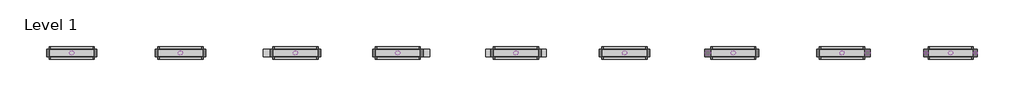
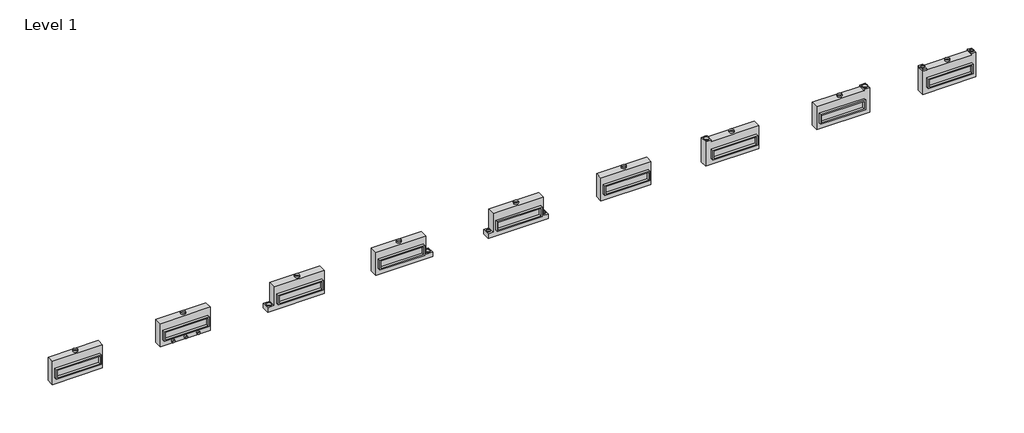
# One storey: 35 proxies.
"""IFC4 building model written with IfcOpenShell, lengths in millimetres."""

import ifcopenshell
import ifcopenshell.guid

model = None  # the IFC model being written
_history = None  # IfcOwnerHistory: only IFC2X3 demands one
_inside = {}  # id of a spatial element -> (the spatial element, [elements in it])
_under = {}  # id of a project, library or spatial element -> (it, [spatial elements below it])
_declared = {}  # id of a project -> (the project, [libraries it declares])
_typed = {}  # id of a type object -> (the type object, [elements of that type])
_made_of = {}  # id of a material, layer set ... -> (it, [elements and type objects made of it])


def new_model(schema):
    """Start an empty IFC model of exactly this schema.

    Asked for "IFC4X3", IfcOpenShell would pick the latest addendum, in which some entities
    have other attributes; the version numbers below select the first issue.
    IFC2X3 requires an IfcOwnerHistory on every rooted entity: one is made here for all.
    """
    global model, _history
    if schema == "IFC4X3":
        model = ifcopenshell.file(schema_version=(4, 3, 0, 0))
    else:
        model = ifcopenshell.file(schema=schema)
    _inside.clear()
    _under.clear()
    _declared.clear()
    _typed.clear()
    _made_of.clear()
    _history = None
    if model.schema == "IFC2X3":
        org = make("IfcOrganization", Name="unknown")
        user = make(
            "IfcPersonAndOrganization",
            ThePerson=make("IfcPerson", FamilyName="unknown"),
            TheOrganization=org,
        )
        app = make(
            "IfcApplication",
            ApplicationDeveloper=org,
            Version="unknown",
            ApplicationFullName="unknown",
            ApplicationIdentifier="unknown",
        )
        _history = make(
            "IfcOwnerHistory",
            OwningUser=user,
            OwningApplication=app,
            ChangeAction="ADDED",
            CreationDate=0,
        )
    return model


def make(cls, **values):
    """One entity of the class cls with the attributes given. An attribute that is None is left unset."""
    return model.create_entity(
        cls, **{name: value for name, value in values.items() if value is not None}
    )


def rooted(cls, **values):
    """An entity with a GlobalId (a new one), such as an element, a storey or a relation."""
    return make(cls, GlobalId=ifcopenshell.guid.new(), OwnerHistory=_history, **values)


def si_unit(unit_type, name, prefix=None):
    """IfcSIUnit, for example si_unit("LENGTHUNIT", "METRE", prefix="MILLI")."""
    return make("IfcSIUnit", UnitType=unit_type, Prefix=prefix, Name=name)


def assignment(units):
    """IfcUnitAssignment: the units of a project."""
    return None if units is None else make("IfcUnitAssignment", Units=units)


def point(xyz):
    """IfcCartesianPoint."""
    return None if xyz is None else make("IfcCartesianPoint", Coordinates=xyz)


def direction(xyz):
    """IfcDirection."""
    return None if xyz is None else make("IfcDirection", DirectionRatios=xyz)


def frame(location, z_axis=None, x_axis=None):
    """IfcAxis2Placement3D, a coordinate frame: its origin and axes. An axis left out is left unset."""
    return make(
        "IfcAxis2Placement3D",
        Location=point(location),
        Axis=direction(z_axis),
        RefDirection=direction(x_axis),
    )


def frame_2d(location, x_axis=None):
    """IfcAxis2Placement2D, a coordinate frame in the plane: its origin and x axis."""
    return make(
        "IfcAxis2Placement2D", Location=point(location), RefDirection=direction(x_axis)
    )


def origin():
    """The frame at (0, 0, 0) with its axes left unset."""
    return frame((0.0, 0.0, 0.0))


def origin_with_axes():
    """The frame at (0, 0, 0) with the z axis (0, 0, 1) and the x axis (1, 0, 0) written out."""
    return frame((0.0, 0.0, 0.0), z_axis=(0.0, 0.0, 1.0), x_axis=(1.0, 0.0, 0.0))


def origin_2d():
    """The frame at (0, 0) in the plane with its x axis left unset."""
    return frame_2d((0.0, 0.0))


def place(relative_to, where):
    """IfcLocalPlacement: puts the frame where relative to a parent placement (None: the world)."""
    return make(
        "IfcLocalPlacement", PlacementRelTo=relative_to, RelativePlacement=where
    )


def context(
    kind, dimensions, precision=None, world=None, true_north=None, identifier=None
):
    """IfcGeometricRepresentationContext, for example the 3D "Model" context."""
    return make(
        "IfcGeometricRepresentationContext",
        ContextIdentifier=identifier,
        ContextType=kind,
        CoordinateSpaceDimension=dimensions,
        Precision=precision,
        WorldCoordinateSystem=world,
        TrueNorth=true_north,
    )


def project(units=None, contexts=None):
    """IfcProject with its units and contexts."""
    return rooted(
        "IfcProject",
        Name="project",
        RepresentationContexts=contexts,
        UnitsInContext=assignment(units),
    )


def spatial(cls, under=None, at=None, **own):
    """A site, building, storey or space (cls), placed at a placement, below another one or the project."""
    s = rooted(cls, ObjectPlacement=at, **own)
    if under is not None:
        _under.setdefault(under.id(), (under, []))[1].append(s)
    return s


def polyline(points):
    """IfcPolyline through the points."""
    return make("IfcPolyline", Points=[point(p) for p in points])


def circle_curve(where, radius):
    """IfcCircle in the frame where."""
    return make("IfcCircle", Position=where, Radius=radius)


def trimmed(basis, trim1, trim2, sense, master):
    """IfcTrimmedCurve: the piece of a basis curve between two trims."""
    return make(
        "IfcTrimmedCurve",
        BasisCurve=basis,
        Trim1=trim1,
        Trim2=trim2,
        SenseAgreement=sense,
        MasterRepresentation=master,
    )


def segment(curve, same_sense, transition):
    """IfcCompositeCurveSegment."""
    return make(
        "IfcCompositeCurveSegment",
        Transition=transition,
        SameSense=same_sense,
        ParentCurve=curve,
    )


def composite_curve(segments, self_intersect=None):
    """IfcCompositeCurve: segments joined end to end."""
    return make("IfcCompositeCurve", Segments=segments, SelfIntersect=self_intersect)


def outline(outer, holes=None, kind="AREA"):
    """IfcArbitraryClosedProfileDef: a profile drawn as a closed curve; with holes, ...WithVoids."""
    if holes is None:
        return make("IfcArbitraryClosedProfileDef", ProfileType=kind, OuterCurve=outer)
    return make(
        "IfcArbitraryProfileDefWithVoids",
        ProfileType=kind,
        OuterCurve=outer,
        InnerCurves=holes,
    )


def extrude(swept, where, along, depth):
    """IfcExtrudedAreaSolid: the profile swept, set in the frame where, extruded along a direction by depth."""
    return make(
        "IfcExtrudedAreaSolid",
        SweptArea=swept,
        Position=where,
        ExtrudedDirection=direction(along),
        Depth=depth,
    )


def shape(context_of_items, identifier, shape_type, items):
    """IfcShapeRepresentation: the items that make up one representation, for example the "Body"."""
    return make(
        "IfcShapeRepresentation",
        ContextOfItems=context_of_items,
        RepresentationIdentifier=identifier,
        RepresentationType=shape_type,
        Items=items,
    )


def source(mapping_origin, context_of_items, identifier, shape_type, items):
    """IfcRepresentationMap: a shape defined once, which mapped items show again and again."""
    return make(
        "IfcRepresentationMap",
        MappingOrigin=mapping_origin,
        MappedRepresentation=shape(context_of_items, identifier, shape_type, items),
    )


def transform(
    local_origin,
    x_axis=None,
    y_axis=None,
    z_axis=None,
    scale=None,
    scale2=None,
    scale3=None,
    uniform=True,
):
    """IfcCartesianTransformationOperator3D, or its non-uniform kind. x_axis, y_axis, z_axis: its Axis1, 2, 3."""
    if uniform:
        return make(
            "IfcCartesianTransformationOperator3D",
            Axis1=direction(x_axis),
            Axis2=direction(y_axis),
            LocalOrigin=point(local_origin),
            Scale=scale,
            Axis3=direction(z_axis),
        )
    return make(
        "IfcCartesianTransformationOperator3DnonUniform",
        Axis1=direction(x_axis),
        Axis2=direction(y_axis),
        LocalOrigin=point(local_origin),
        Scale=scale,
        Axis3=direction(z_axis),
        Scale2=scale2,
        Scale3=scale3,
    )


def mapped(mapping_source, mapping_target):
    """IfcMappedItem: shows the shape of a source again, moved by a transform."""
    return make(
        "IfcMappedItem", MappingSource=mapping_source, MappingTarget=mapping_target
    )


def made_of(thing, what):
    """Note that an element or type object is made of a material, layer set ...; save() writes the relation."""
    if what is not None:
        _made_of.setdefault(what.id(), (what, []))[1].append(thing)
    return thing


def element(
    cls,
    number,
    at=None,
    inside=None,
    cuts=None,
    type_object=None,
    material=None,
    context=None,
    identifier="Body",
    shape_type=None,
    held_by="IfcProductDefinitionShape",
    body=None,
    shapes=None,
    **own,
):
    """One element of the class cls, such as IfcWall. Its Tag is "e" and its number.

    at: its placement. inside: the storey or other place that contains it. cuts: it is an
    opening in that element (IfcRelVoidsElement). A single representation is given by context,
    identifier, shape_type and body (its items); several are given by shapes. held_by: the class
    of the entity that holds the representations. save() writes the other relations.
    """
    e = rooted(cls, Tag="e%d" % number, ObjectPlacement=at, **own)
    if body is not None:
        shapes = [shape(context, identifier, shape_type, body)]
    if shapes is not None:
        e.Representation = make(held_by, Representations=shapes)
    if inside is not None:
        _inside.setdefault(inside.id(), (inside, []))[1].append(e)
    if cuts is not None:
        rooted(
            "IfcRelVoidsElement", RelatingBuildingElement=cuts, RelatedOpeningElement=e
        )
    if type_object is not None:
        _typed.setdefault(type_object.id(), (type_object, []))[1].append(e)
    return made_of(e, material)


def aggregate(whole, parts):
    """IfcRelAggregates: a whole, such as a stair, and the parts it consists of."""
    return rooted("IfcRelAggregates", RelatingObject=whole, RelatedObjects=parts)


def save(model, path):
    """Write the relations noted so far, then the file.

    IfcRelAggregates (storeys below a building ...), IfcRelContainedInSpatialStructure (elements
    in a storey), IfcRelDefinesByType, IfcRelAssociatesMaterial and IfcRelDeclares: one each for
    every whole, place, type object, material and project.
    """
    for whole, parts in _under.values():
        aggregate(whole, parts)
    for where, things in _inside.values():
        rooted(
            "IfcRelContainedInSpatialStructure",
            RelatedElements=things,
            RelatingStructure=where,
        )
    for kind, things in _typed.values():
        rooted("IfcRelDefinesByType", RelatedObjects=things, RelatingType=kind)
    for what, things in _made_of.values():
        rooted("IfcRelAssociatesMaterial", RelatedObjects=things, RelatingMaterial=what)
    for by, libraries in _declared.values():
        rooted("IfcRelDeclares", RelatingContext=by, RelatedDefinitions=libraries)
    model.write(path)


def as_specified_d002592d(model_context):
    return source(origin(), model_context, "Body", "SweptSolid", [
        extrude(outline(polyline([(1460.5, 273.05), (1460.5, -387.35), (-1460.5, -387.35), (-1460.5, 273.05), (1460.5, 273.05)]), holes=[polyline([(1371.6, 196.85), (-1371.6, 196.85), (-1371.6, -311.15), (1371.6, -311.15), (1371.6, 196.85)])]), frame((0.0, 0.0, -688.975), z_axis=(0.0, 0.0, 1.0), x_axis=(1.0, 0.0, 0.0)), (0.0, 0.0, 1.0), 165.1),
        extrude(outline(polyline([(1460.5, 273.05), (1460.5, -387.35), (-1460.5, -387.35), (-1460.5, 273.05), (1460.5, 273.05)]), holes=[polyline([(1371.6, 196.85), (-1371.6, 196.85), (-1371.6, -311.15), (1371.6, -311.15), (1371.6, 196.85)])]), frame((0.0, 0.0, -25.4), z_axis=(0.0, 0.0, 1.0), x_axis=(1.0, 0.0, 0.0)), (0.0, 0.0, 1.0), 165.1),
        extrude(outline(polyline([(1371.6, 196.85), (1371.6, -311.15), (-1371.6, -311.15), (-1371.6, 196.85), (1371.6, 196.85)])), frame((0.0, 0.0, -523.875), z_axis=(0.0, 0.0, 1.0), x_axis=(1.0, 0.0, 0.0)), (0.0, 0.0, 1.0), 4.9609375),
        extrude(outline(polyline([(1371.6, 196.85), (1371.6, -311.15), (-1371.6, -311.15), (-1371.6, 196.85), (1371.6, 196.85)])), frame((0.0, 0.0, -30.3609375), z_axis=(0.0, 0.0, 1.0), x_axis=(1.0, 0.0, 0.0)), (0.0, 0.0, 1.0), 4.9609375),
        extrude(outline(polyline([(-1625.6, 793.75), (1625.6, 793.75), (1625.6, -488.95), (2057.4, -488.95), (2057.4, -793.75), (-1625.6, -793.75), (-1625.6, 793.75)]), holes=[polyline([(-1460.5, 273.05), (-1460.5, -387.35), (1460.5, -387.35), (1460.5, 273.05), (-1460.5, 273.05)])]), frame((0.0, 0.0, -523.875), z_axis=(0.0, 0.0, 1.0), x_axis=(1.0, 0.0, 0.0)), (0.0, 0.0, 1.0), 498.475),
    ])


def as_specified_aac91da4(model_context):
    return source(origin(), model_context, "Body", "SweptSolid", [
        extrude(outline(polyline([(1460.5, 273.05), (1460.5, -387.35), (-1460.5, -387.35), (-1460.5, 273.05), (1460.5, 273.05)]), holes=[polyline([(1371.6, 196.85), (-1371.6, 196.85), (-1371.6, -311.15), (1371.6, -311.15), (1371.6, 196.85)])]), frame((0.0, 0.0, -688.975), z_axis=(0.0, 0.0, 1.0), x_axis=(1.0, 0.0, 0.0)), (0.0, 0.0, 1.0), 165.1),
        extrude(outline(polyline([(1460.5, 273.05), (1460.5, -387.35), (-1460.5, -387.35), (-1460.5, 273.05), (1460.5, 273.05)]), holes=[polyline([(1371.6, 196.85), (-1371.6, 196.85), (-1371.6, -311.15), (1371.6, -311.15), (1371.6, 196.85)])]), frame((0.0, 0.0, -25.4), z_axis=(0.0, 0.0, 1.0), x_axis=(1.0, 0.0, 0.0)), (0.0, 0.0, 1.0), 165.1),
        extrude(outline(polyline([(1371.6, 196.85), (1371.6, -311.15), (-1371.6, -311.15), (-1371.6, 196.85), (1371.6, 196.85)])), frame((0.0, 0.0, -523.875), z_axis=(0.0, 0.0, 1.0), x_axis=(1.0, 0.0, 0.0)), (0.0, 0.0, 1.0), 4.9609375),
        extrude(outline(polyline([(1371.6, 196.85), (1371.6, -311.15), (-1371.6, -311.15), (-1371.6, 196.85), (1371.6, 196.85)])), frame((0.0, 0.0, -30.3609375), z_axis=(0.0, 0.0, 1.0), x_axis=(1.0, 0.0, 0.0)), (0.0, 0.0, 1.0), 4.9609375),
        extrude(outline(polyline([(1828.8, -793.75), (-1625.6, -793.75), (-1625.6, 793.75), (1460.5, 793.75), (1460.5, 895.35), (1828.8, 895.35), (1828.8, -793.75)]), holes=[polyline([(-1460.5, 273.05), (-1460.5, -387.35), (1460.5, -387.35), (1460.5, 273.05), (-1460.5, 273.05)])]), frame((0.0, 0.0, -523.875), z_axis=(0.0, 0.0, 1.0), x_axis=(1.0, 0.0, 0.0)), (0.0, 0.0, 1.0), 498.475),
    ])


def as_specified_fa5cbbdb(model_context):
    return source(origin(), model_context, "Body", "SweptSolid", [
        extrude(outline(polyline([(1460.5, 273.05), (1460.5, -387.35), (-1460.5, -387.35), (-1460.5, 273.05), (1460.5, 273.05)]), holes=[polyline([(1371.6, 196.85), (-1371.6, 196.85), (-1371.6, -311.15), (1371.6, -311.15), (1371.6, 196.85)])]), frame((0.0, 0.0, -688.975), z_axis=(0.0, 0.0, 1.0), x_axis=(1.0, 0.0, 0.0)), (0.0, 0.0, 1.0), 165.1),
        extrude(outline(polyline([(1460.5, 273.05), (1460.5, -387.35), (-1460.5, -387.35), (-1460.5, 273.05), (1460.5, 273.05)]), holes=[polyline([(1371.6, 196.85), (-1371.6, 196.85), (-1371.6, -311.15), (1371.6, -311.15), (1371.6, 196.85)])]), frame((0.0, 0.0, -25.4), z_axis=(0.0, 0.0, 1.0), x_axis=(1.0, 0.0, 0.0)), (0.0, 0.0, 1.0), 165.1),
        extrude(outline(polyline([(-1460.5, 793.75), (-1727.2, 793.75), (-1727.2, 895.35), (-1460.5, 895.35), (-1460.5, 793.75)])), frame((0.0, 0.0, -523.875), z_axis=(0.0, 0.0, 1.0), x_axis=(1.0, 0.0, 0.0)), (0.0, 0.0, 1.0), 498.475),
        extrude(outline(polyline([(1371.6, 196.85), (1371.6, -311.15), (-1371.6, -311.15), (-1371.6, 196.85), (1371.6, 196.85)])), frame((0.0, 0.0, -523.875), z_axis=(0.0, 0.0, 1.0), x_axis=(1.0, 0.0, 0.0)), (0.0, 0.0, 1.0), 4.9609375),
        extrude(outline(polyline([(1371.6, 196.85), (1371.6, -311.15), (-1371.6, -311.15), (-1371.6, 196.85), (1371.6, 196.85)])), frame((0.0, 0.0, -30.3609375), z_axis=(0.0, 0.0, 1.0), x_axis=(1.0, 0.0, 0.0)), (0.0, 0.0, 1.0), 4.9609375),
        extrude(outline(polyline([(1727.2, -793.75), (-1727.2, -793.75), (-1727.2, 793.75), (1460.5, 793.75), (1460.5, 895.35), (1727.2, 895.35), (1727.2, -793.75)]), holes=[polyline([(-1460.5, 273.05), (-1460.5, -387.35), (1460.5, -387.35), (1460.5, 273.05), (-1460.5, 273.05)])]), frame((0.0, 0.0, -523.875), z_axis=(0.0, 0.0, 1.0), x_axis=(1.0, 0.0, 0.0)), (0.0, 0.0, 1.0), 498.475),
    ])


def as_specified_176dbfb2(model_context):
    return source(origin(), model_context, "Body", "SweptSolid", [
        extrude(outline(polyline([(1460.5, 273.05), (1460.5, -387.35), (-1460.5, -387.35), (-1460.5, 273.05), (1460.5, 273.05)]), holes=[polyline([(1371.6, 196.85), (-1371.6, 196.85), (-1371.6, -311.15), (1371.6, -311.15), (1371.6, 196.85)])]), frame((0.0, 0.0, -688.975), z_axis=(0.0, 0.0, 1.0), x_axis=(1.0, 0.0, 0.0)), (0.0, 0.0, 1.0), 165.1),
        extrude(outline(polyline([(1460.5, 273.05), (1460.5, -387.35), (-1460.5, -387.35), (-1460.5, 273.05), (1460.5, 273.05)]), holes=[polyline([(1371.6, 196.85), (-1371.6, 196.85), (-1371.6, -311.15), (1371.6, -311.15), (1371.6, 196.85)])]), frame((0.0, 0.0, -25.4), z_axis=(0.0, 0.0, 1.0), x_axis=(1.0, 0.0, 0.0)), (0.0, 0.0, 1.0), 165.1),
        extrude(outline(polyline([(1371.6, 196.85), (1371.6, -311.15), (-1371.6, -311.15), (-1371.6, 196.85), (1371.6, 196.85)])), frame((0.0, 0.0, -523.875), z_axis=(0.0, 0.0, 1.0), x_axis=(1.0, 0.0, 0.0)), (0.0, 0.0, 1.0), 4.9609375),
        extrude(outline(polyline([(1371.6, 196.85), (1371.6, -311.15), (-1371.6, -311.15), (-1371.6, 196.85), (1371.6, 196.85)])), frame((0.0, 0.0, -30.3609375), z_axis=(0.0, 0.0, 1.0), x_axis=(1.0, 0.0, 0.0)), (0.0, 0.0, 1.0), 4.9609375),
        extrude(outline(polyline([(1625.6, -793.75), (-1625.6, -793.75), (-1625.6, 793.75), (1625.6, 793.75), (1625.6, -793.75)]), holes=[polyline([(-1460.5, 273.05), (-1460.5, -387.35), (1460.5, -387.35), (1460.5, 273.05), (-1460.5, 273.05)])]), frame((0.0, 0.0, -523.875), z_axis=(0.0, 0.0, 1.0), x_axis=(1.0, 0.0, 0.0)), (0.0, 0.0, 1.0), 498.475),
    ])


def as_specified_8986eca1(model_context):
    return source(origin(), model_context, "Body", "SweptSolid", [
        extrude(outline(polyline([(1460.5, 273.05), (1460.5, -387.35), (-1460.5, -387.35), (-1460.5, 273.05), (1460.5, 273.05)]), holes=[polyline([(1371.6, 196.85), (-1371.6, 196.85), (-1371.6, -311.15), (1371.6, -311.15), (1371.6, 196.85)])]), frame((0.0, 0.0, -688.975), z_axis=(0.0, 0.0, 1.0), x_axis=(1.0, 0.0, 0.0)), (0.0, 0.0, 1.0), 165.1),
        extrude(outline(polyline([(1460.5, 273.05), (1460.5, -387.35), (-1460.5, -387.35), (-1460.5, 273.05), (1460.5, 273.05)]), holes=[polyline([(1371.6, 196.85), (-1371.6, 196.85), (-1371.6, -311.15), (1371.6, -311.15), (1371.6, 196.85)])]), frame((0.0, 0.0, -25.4), z_axis=(0.0, 0.0, 1.0), x_axis=(1.0, 0.0, 0.0)), (0.0, 0.0, 1.0), 165.1),
        extrude(outline(polyline([(1371.6, 196.85), (1371.6, -311.15), (-1371.6, -311.15), (-1371.6, 196.85), (1371.6, 196.85)])), frame((0.0, 0.0, -523.875), z_axis=(0.0, 0.0, 1.0), x_axis=(1.0, 0.0, 0.0)), (0.0, 0.0, 1.0), 4.9609375),
        extrude(outline(polyline([(1371.6, 196.85), (1371.6, -311.15), (-1371.6, -311.15), (-1371.6, 196.85), (1371.6, 196.85)])), frame((0.0, 0.0, -30.3609375), z_axis=(0.0, 0.0, 1.0), x_axis=(1.0, 0.0, 0.0)), (0.0, 0.0, 1.0), 4.9609375),
        extrude(outline(polyline([(-1625.6, 793.75), (1625.6, 793.75), (1625.6, -793.75), (-2057.4, -793.75), (-2057.4, -488.95), (-1625.6, -488.95), (-1625.6, 793.75)]), holes=[polyline([(-1460.5, 273.05), (-1460.5, -387.35), (1460.5, -387.35), (1460.5, 273.05), (-1460.5, 273.05)])]), frame((0.0, 0.0, -523.875), z_axis=(0.0, 0.0, 1.0), x_axis=(1.0, 0.0, 0.0)), (0.0, 0.0, 1.0), 498.475),
    ])


def as_specified_ad1ca794(model_context):
    return source(origin(), model_context, "Body", "SweptSolid", [
        extrude(outline(polyline([(1460.5, 273.05), (1460.5, -387.35), (-1460.5, -387.35), (-1460.5, 273.05), (1460.5, 273.05)]), holes=[polyline([(1371.6, 196.85), (-1371.6, 196.85), (-1371.6, -311.15), (1371.6, -311.15), (1371.6, 196.85)])]), frame((0.0, 0.0, -688.975), z_axis=(0.0, 0.0, 1.0), x_axis=(1.0, 0.0, 0.0)), (0.0, 0.0, 1.0), 165.1),
        extrude(outline(polyline([(1460.5, 273.05), (1460.5, -387.35), (-1460.5, -387.35), (-1460.5, 273.05), (1460.5, 273.05)]), holes=[polyline([(1371.6, 196.85), (-1371.6, 196.85), (-1371.6, -311.15), (1371.6, -311.15), (1371.6, 196.85)])]), frame((0.0, 0.0, -25.4), z_axis=(0.0, 0.0, 1.0), x_axis=(1.0, 0.0, 0.0)), (0.0, 0.0, 1.0), 165.1),
        extrude(outline(polyline([(1371.6, 196.85), (1371.6, -311.15), (-1371.6, -311.15), (-1371.6, 196.85), (1371.6, 196.85)])), frame((0.0, 0.0, -523.875), z_axis=(0.0, 0.0, 1.0), x_axis=(1.0, 0.0, 0.0)), (0.0, 0.0, 1.0), 4.9609375),
        extrude(outline(polyline([(1371.6, 196.85), (1371.6, -311.15), (-1371.6, -311.15), (-1371.6, 196.85), (1371.6, 196.85)])), frame((0.0, 0.0, -30.3609375), z_axis=(0.0, 0.0, 1.0), x_axis=(1.0, 0.0, 0.0)), (0.0, 0.0, 1.0), 4.9609375),
        extrude(outline(polyline([(1625.6, -793.75), (-1828.8, -793.75), (-1828.8, 895.35), (-1460.5, 895.35), (-1460.5, 793.75), (1625.6, 793.75), (1625.6, -793.75)]), holes=[polyline([(-1460.5, 273.05), (-1460.5, -387.35), (1460.5, -387.35), (1460.5, 273.05), (-1460.5, 273.05)])]), frame((0.0, 0.0, -523.875), z_axis=(0.0, 0.0, 1.0), x_axis=(1.0, 0.0, 0.0)), (0.0, 0.0, 1.0), 498.475),
    ])


def as_specified_559859c7(model_context):
    return source(origin(), model_context, "Body", "SweptSolid", [
        extrude(outline(polyline([(1460.5, 273.05), (1460.5, -387.35), (-1460.5, -387.35), (-1460.5, 273.05), (1460.5, 273.05)]), holes=[polyline([(1371.6, 196.85), (-1371.6, 196.85), (-1371.6, -311.15), (1371.6, -311.15), (1371.6, 196.85)])]), frame((0.0, 0.0, -688.975), z_axis=(0.0, 0.0, 1.0), x_axis=(1.0, 0.0, 0.0)), (0.0, 0.0, 1.0), 165.1),
        extrude(outline(polyline([(1460.5, 273.05), (1460.5, -387.35), (-1460.5, -387.35), (-1460.5, 273.05), (1460.5, 273.05)]), holes=[polyline([(1371.6, 196.85), (-1371.6, 196.85), (-1371.6, -311.15), (1371.6, -311.15), (1371.6, 196.85)])]), frame((0.0, 0.0, -25.4), z_axis=(0.0, 0.0, 1.0), x_axis=(1.0, 0.0, 0.0)), (0.0, 0.0, 1.0), 165.1),
        extrude(outline(polyline([(1371.6, 196.85), (1371.6, -311.15), (-1371.6, -311.15), (-1371.6, 196.85), (1371.6, 196.85)])), frame((0.0, 0.0, -523.875), z_axis=(0.0, 0.0, 1.0), x_axis=(1.0, 0.0, 0.0)), (0.0, 0.0, 1.0), 4.9609375),
        extrude(outline(polyline([(1371.6, 196.85), (1371.6, -311.15), (-1371.6, -311.15), (-1371.6, 196.85), (1371.6, 196.85)])), frame((0.0, 0.0, -30.3609375), z_axis=(0.0, 0.0, 1.0), x_axis=(1.0, 0.0, 0.0)), (0.0, 0.0, 1.0), 4.9609375),
        extrude(outline(polyline([(-1625.6, 793.75), (1625.6, 793.75), (1625.6, -488.95), (1955.8, -488.95), (1955.8, -793.75), (-1955.8, -793.75), (-1955.8, -488.95), (-1625.6, -488.95), (-1625.6, 793.75)]), holes=[polyline([(-1460.5, 273.05), (-1460.5, -387.35), (1460.5, -387.35), (1460.5, 273.05), (-1460.5, 273.05)])]), frame((0.0, 0.0, -523.875), z_axis=(0.0, 0.0, 1.0), x_axis=(1.0, 0.0, 0.0)), (0.0, 0.0, 1.0), 498.475),
    ])


def proxy_814ff0a6(model_context):
    return source(origin(), model_context, "Body", "SweptSolid", [
        extrude(outline(composite_curve([segment(trimmed(circle_curve(origin_2d(), 149.225), [point((-149.225, 0.0))], [point((149.225, 0.0))], False, "CARTESIAN"), True, "CONTINUOUS"), segment(trimmed(circle_curve(origin_2d(), 149.225), [point((149.225, 0.0))], [point((-149.225, 0.0))], False, "CARTESIAN"), True, "CONTINUOUS")], self_intersect=False), holes=[composite_curve([segment(trimmed(circle_curve(origin_2d(), 147.6375), [point((-147.6375, 0.0))], [point((147.6375, 0.0))], True, "CARTESIAN"), True, "CONTINUOUS"), segment(trimmed(circle_curve(origin_2d(), 147.6375), [point((147.6375, 0.0))], [point((-147.6375, 0.0))], True, "CARTESIAN"), True, "CONTINUOUS")], self_intersect=False)]), origin_with_axes(), (0.0, 0.0, 1.0), 101.6),
    ])


def proxy_199e9adc(model_context):
    return source(origin(), model_context, "Body", "SweptSolid", [
        extrude(outline(composite_curve([segment(trimmed(circle_curve(origin_2d(), 176.2125), [point((-176.2125, 0.0))], [point((176.2125, 0.0))], False, "CARTESIAN"), True, "CONTINUOUS"), segment(trimmed(circle_curve(origin_2d(), 176.2125), [point((176.2125, 0.0))], [point((-176.2125, 0.0))], False, "CARTESIAN"), True, "CONTINUOUS")], self_intersect=False), holes=[composite_curve([segment(trimmed(circle_curve(origin_2d(), 174.625), [point((-174.625, 0.0))], [point((174.625, 0.0))], True, "CARTESIAN"), True, "CONTINUOUS"), segment(trimmed(circle_curve(origin_2d(), 174.625), [point((174.625, 0.0))], [point((-174.625, 0.0))], True, "CARTESIAN"), True, "CONTINUOUS")], self_intersect=False)]), origin_with_axes(), (0.0, 0.0, 1.0), 50.8),
    ])


def proxy_5643af6b(model_context):
    return source(origin(), model_context, "Body", "SweptSolid", [
        extrude(outline(composite_curve([segment(trimmed(circle_curve(origin_2d(), 100.0125), [point((-100.0125, 0.0))], [point((100.0125, 0.0))], False, "CARTESIAN"), True, "CONTINUOUS"), segment(trimmed(circle_curve(origin_2d(), 100.0125), [point((100.0125, 0.0))], [point((-100.0125, 0.0))], False, "CARTESIAN"), True, "CONTINUOUS")], self_intersect=False), holes=[composite_curve([segment(trimmed(circle_curve(origin_2d(), 98.425), [point((-98.425, 0.0))], [point((98.425, 0.0))], True, "CARTESIAN"), True, "CONTINUOUS"), segment(trimmed(circle_curve(origin_2d(), 98.425), [point((98.425, 0.0))], [point((-98.425, 0.0))], True, "CARTESIAN"), True, "CONTINUOUS")], self_intersect=False)]), origin_with_axes(), (0.0, 0.0, 1.0), 101.6),
    ])


def proxy_c1ba4f62(model_context):
    return source(origin(), model_context, "Body", "SweptSolid", [
        extrude(outline(composite_curve([segment(trimmed(circle_curve(origin_2d(), 103.1875), [point((-103.1875, 0.0))], [point((103.1875, 0.0))], False, "CARTESIAN"), True, "CONTINUOUS"), segment(trimmed(circle_curve(origin_2d(), 103.1875), [point((103.1875, 0.0))], [point((-103.1875, 0.0))], False, "CARTESIAN"), True, "CONTINUOUS")], self_intersect=False), holes=[composite_curve([segment(trimmed(circle_curve(origin_2d(), 101.6), [point((-101.6, 0.0))], [point((101.6, 0.0))], True, "CARTESIAN"), True, "CONTINUOUS"), segment(trimmed(circle_curve(origin_2d(), 101.6), [point((101.6, 0.0))], [point((-101.6, 0.0))], True, "CARTESIAN"), True, "CONTINUOUS")], self_intersect=False)]), origin_with_axes(), (0.0, 0.0, 1.0), 6.35),
    ])


def proxy_f04a25a4(model_context):
    return source(origin(), model_context, "Body", "SweptSolid", [
        extrude(outline(composite_curve([segment(trimmed(circle_curve(origin_2d(), 125.4125), [point((-125.4125, 0.0))], [point((125.4125, 0.0))], False, "CARTESIAN"), True, "CONTINUOUS"), segment(trimmed(circle_curve(origin_2d(), 125.4125), [point((125.4125, 0.0))], [point((-125.4125, 0.0))], False, "CARTESIAN"), True, "CONTINUOUS")], self_intersect=False), holes=[composite_curve([segment(trimmed(circle_curve(origin_2d(), 123.825), [point((-123.825, 0.0))], [point((123.825, 0.0))], True, "CARTESIAN"), True, "CONTINUOUS"), segment(trimmed(circle_curve(origin_2d(), 123.825), [point((123.825, 0.0))], [point((-123.825, 0.0))], True, "CARTESIAN"), True, "CONTINUOUS")], self_intersect=False)]), origin_with_axes(), (0.0, 0.0, 1.0), 50.8),
    ])


model = new_model("IFC4")

# Units and contexts
model_context = context("Model", 3, world=origin())
ifc_project = project(units=[si_unit("LENGTHUNIT", "METRE", prefix="MILLI")], contexts=[model_context])

# Site, building, storey
site = spatial("IfcSite", under=ifc_project)
building = spatial("IfcBuilding", under=site)
storey = spatial("IfcBuildingStorey", under=building, Name="Level 1", Elevation=0.0)

# Proxies
placement = place(None, origin())
as_specified_shape = as_specified_d002592d(model_context)
element("IfcBuildingElementProxy", 1, Name="As Specified", ObjectType="As Specified", at=placement, inside=storey, context=model_context, shape_type="MappedRepresentation", body=[
    mapped(as_specified_shape, transform((7171.2574402, 1616.7712992, 1219.2), x_axis=(1.0, 0.0, 0.0), y_axis=(0.0, 0.0, 1.0), z_axis=(0.0, -1.0, 0.0))),
])
as_specified_2_shape = as_specified_aac91da4(model_context)
element("IfcBuildingElementProxy", 2, Name="As Specified", ObjectType="As Specified", at=placement, inside=storey, context=model_context, shape_type="MappedRepresentation", body=[
    mapped(as_specified_2_shape, transform((35822.4574402, 1616.7712992, 1219.2), x_axis=(1.0, 0.0, 0.0), y_axis=(0.0, 0.0, 1.0), z_axis=(0.0, -1.0, 0.0))),
])
as_specified_3_shape = as_specified_fa5cbbdb(model_context)
element("IfcBuildingElementProxy", 3, Name="As Specified", ObjectType="As Specified", at=placement, inside=storey, context=model_context, shape_type="MappedRepresentation", body=[
    mapped(as_specified_3_shape, transform((42832.8574402, 1616.7712992, 1219.2), x_axis=(1.0, 0.0, 0.0), y_axis=(0.0, 0.0, 1.0), z_axis=(0.0, -1.0, 0.0))),
])
as_specified_4_shape = as_specified_176dbfb2(model_context)
element("IfcBuildingElementProxy", 4, Name="As Specified", ObjectType="As Specified", at=placement, inside=storey, context=model_context, shape_type="MappedRepresentation", body=[
    mapped(as_specified_4_shape, transform((-6849.5425598, 1616.7712992, 1219.2), x_axis=(1.0, 0.0, 0.0), y_axis=(0.0, 0.0, 1.0), z_axis=(0.0, -1.0, 0.0))),
])
element("IfcBuildingElementProxy", 5, Name="As Specified", ObjectType="As Specified", at=placement, inside=storey, context=model_context, shape_type="MappedRepresentation", body=[
    mapped(as_specified_4_shape, transform((21801.6574402, 1616.7712992, 1219.2), x_axis=(1.0, 0.0, 0.0), y_axis=(0.0, 0.0, 1.0), z_axis=(0.0, -1.0, 0.0))),
])
element("IfcBuildingElementProxy", 6, Name="As Specified", ObjectType="As Specified", at=placement, inside=storey, context=model_context, shape_type="MappedRepresentation", body=[
    mapped(as_specified_4_shape, transform((-13859.9425598, 1616.7712992, 1066.8), x_axis=(1.0, 0.0, 0.0), y_axis=(0.0, 0.0, 1.0), z_axis=(0.0, -1.0, 0.0))),
])
as_specified_5_shape = as_specified_8986eca1(model_context)
element("IfcBuildingElementProxy", 7, Name="As Specified", ObjectType="As Specified", at=placement, inside=storey, context=model_context, shape_type="MappedRepresentation", body=[
    mapped(as_specified_5_shape, transform((565.6597121, 1616.7712992, 1144.6311604), x_axis=(1.0, 0.0, 0.0), y_axis=(0.0, 0.0, 1.0), z_axis=(0.0, -1.0, 0.0))),
])
as_specified_6_shape = as_specified_ad1ca794(model_context)
element("IfcBuildingElementProxy", 8, Name="As Specified", ObjectType="As Specified", at=placement, inside=storey, context=model_context, shape_type="MappedRepresentation", body=[
    mapped(as_specified_6_shape, transform((28812.0574402, 1616.7712992, 1219.2), x_axis=(1.0, 0.0, 0.0), y_axis=(0.0, 0.0, 1.0), z_axis=(0.0, -1.0, 0.0))),
])
as_specified_7_shape = as_specified_559859c7(model_context)
element("IfcBuildingElementProxy", 9, Name="As Specified", ObjectType="As Specified", at=placement, inside=storey, context=model_context, shape_type="MappedRepresentation", body=[
    mapped(as_specified_7_shape, transform((14791.2574402, 1616.7712992, 1219.2), x_axis=(1.0, 0.0, 0.0), y_axis=(0.0, 0.0, 1.0), z_axis=(0.0, -1.0, 0.0))),
])
proxy_shape = proxy_814ff0a6(model_context)
element("IfcBuildingElementProxy", 10, Name="Duct Dia : 11 3/4\" Dia", ObjectType="Duct Dia : 11 3/4\" Dia", at=placement, inside=storey, context=model_context, shape_type="MappedRepresentation", body=[
    mapped(proxy_shape, transform((-13859.9425598, 1891.4087992, 1860.55), x_axis=(1.0, 0.0, 0.0), y_axis=(0.0, 1.0, 0.0), z_axis=(0.0, 0.0, 1.0))),
])
element("IfcBuildingElementProxy", 11, Name="Duct Dia : 11 3/4\" Dia", ObjectType="Duct Dia : 11 3/4\" Dia", at=placement, inside=storey, context=model_context, shape_type="MappedRepresentation", body=[
    mapped(proxy_shape, transform((-6849.5425598, 1891.4087992, 2012.95), x_axis=(1.0, 0.0, 0.0), y_axis=(0.0, 1.0, 0.0), z_axis=(0.0, 0.0, 1.0))),
])
element("IfcBuildingElementProxy", 12, Name="Duct Dia : 11 3/4\" Dia", ObjectType="Duct Dia : 11 3/4\" Dia", at=placement, inside=storey, context=model_context, shape_type="MappedRepresentation", body=[
    mapped(proxy_shape, transform((565.6597121, 1891.4087992, 1938.3811604), x_axis=(1.0, 0.0, 0.0), y_axis=(0.0, 1.0, 0.0), z_axis=(0.0, 0.0, 1.0))),
])
element("IfcBuildingElementProxy", 13, Name="Duct Dia : 11 3/4\" Dia", ObjectType="Duct Dia : 11 3/4\" Dia", at=placement, inside=storey, context=model_context, shape_type="MappedRepresentation", body=[
    mapped(proxy_shape, transform((7171.2574402, 1891.4087992, 2012.95), x_axis=(1.0, 0.0, 0.0), y_axis=(0.0, 1.0, 0.0), z_axis=(0.0, 0.0, 1.0))),
])
element("IfcBuildingElementProxy", 14, Name="Duct Dia : 11 3/4\" Dia", ObjectType="Duct Dia : 11 3/4\" Dia", at=placement, inside=storey, context=model_context, shape_type="MappedRepresentation", body=[
    mapped(proxy_shape, transform((14791.2574402, 1891.4087992, 2012.95), x_axis=(1.0, 0.0, 0.0), y_axis=(0.0, 1.0, 0.0), z_axis=(0.0, 0.0, 1.0))),
])
element("IfcBuildingElementProxy", 15, Name="Duct Dia : 11 3/4\" Dia", ObjectType="Duct Dia : 11 3/4\" Dia", at=placement, inside=storey, context=model_context, shape_type="MappedRepresentation", body=[
    mapped(proxy_shape, transform((21801.6574402, 1891.4087992, 2012.95), x_axis=(1.0, 0.0, 0.0), y_axis=(0.0, 1.0, 0.0), z_axis=(0.0, 0.0, 1.0))),
])
element("IfcBuildingElementProxy", 16, Name="Duct Dia : 11 3/4\" Dia", ObjectType="Duct Dia : 11 3/4\" Dia", at=placement, inside=storey, context=model_context, shape_type="MappedRepresentation", body=[
    mapped(proxy_shape, transform((28812.0574402, 1891.4087992, 2012.95), x_axis=(1.0, 0.0, 0.0), y_axis=(0.0, 1.0, 0.0), z_axis=(0.0, 0.0, 1.0))),
])
element("IfcBuildingElementProxy", 17, Name="Duct Dia : 11 3/4\" Dia", ObjectType="Duct Dia : 11 3/4\" Dia", at=placement, inside=storey, context=model_context, shape_type="MappedRepresentation", body=[
    mapped(proxy_shape, transform((35822.4574402, 1891.4087992, 2012.95), x_axis=(1.0, 0.0, 0.0), y_axis=(0.0, 1.0, 0.0), z_axis=(0.0, 0.0, 1.0))),
])
element("IfcBuildingElementProxy", 18, Name="Duct Dia : 11 3/4\" Dia", ObjectType="Duct Dia : 11 3/4\" Dia", at=placement, inside=storey, context=model_context, shape_type="MappedRepresentation", body=[
    mapped(proxy_shape, transform((42832.8574402, 1891.4087992, 2012.95), x_axis=(1.0, 0.0, 0.0), y_axis=(0.0, 1.0, 0.0), z_axis=(0.0, 0.0, 1.0))),
])
proxy_2_shape = proxy_199e9adc(model_context)
element("IfcBuildingElementProxy", 19, Name="Duct Dia : 13 7/8\" Dia.", ObjectType="Duct Dia : 13 7/8\" Dia.", at=placement, inside=storey, context=model_context, shape_type="MappedRepresentation", body=[
    mapped(proxy_2_shape, transform((-1275.8402879, 1891.4087992, 655.6811604), x_axis=(1.0, 0.0, 0.0), y_axis=(0.0, 1.0, 0.0), z_axis=(0.0, 0.0, 1.0))),
])
element("IfcBuildingElementProxy", 20, Name="Duct Dia : 13 7/8\" Dia.", ObjectType="Duct Dia : 13 7/8\" Dia.", at=placement, inside=storey, context=model_context, shape_type="MappedRepresentation", body=[
    mapped(proxy_2_shape, transform((27167.4074402, 1891.4087992, 2114.55), x_axis=(1.0, 0.0, 0.0), y_axis=(0.0, 1.0, 0.0), z_axis=(0.0, 0.0, 1.0))),
])
element("IfcBuildingElementProxy", 21, Name="Duct Dia : 13 7/8\" Dia.", ObjectType="Duct Dia : 13 7/8\" Dia.", at=placement, inside=storey, context=model_context, shape_type="MappedRepresentation", body=[
    mapped(proxy_2_shape, transform((9012.7574402, 1891.4087992, 730.25), x_axis=(-1.0, 0.0, 0.0), y_axis=(0.0, -1.0, 0.0), z_axis=(0.0, 0.0, 1.0))),
])
element("IfcBuildingElementProxy", 22, Name="Duct Dia : 13 7/8\" Dia.", ObjectType="Duct Dia : 13 7/8\" Dia.", at=placement, inside=storey, context=model_context, shape_type="MappedRepresentation", body=[
    mapped(proxy_2_shape, transform((37467.1074402, 1891.4087992, 2114.55), x_axis=(-1.0, 0.0, 0.0), y_axis=(0.0, -1.0, 0.0), z_axis=(0.0, 0.0, 1.0))),
])
proxy_3_shape = proxy_5643af6b(model_context)
element("IfcBuildingElementProxy", 23, Name="Duct Dia : 7 7/8\" Dia", ObjectType="Duct Dia : 7 7/8\" Dia", at=placement, inside=storey, context=model_context, shape_type="MappedRepresentation", body=[
    mapped(proxy_3_shape, transform((-7662.3425598, 1642.1712992, 577.85), x_axis=(-1.0, 0.0, 0.0), y_axis=(0.0, 0.0, -1.0), z_axis=(0.0, -1.0, 0.0))),
])
element("IfcBuildingElementProxy", 24, Name="Duct Dia : 7 7/8\" Dia", ObjectType="Duct Dia : 7 7/8\" Dia", at=placement, inside=storey, context=model_context, shape_type="MappedRepresentation", body=[
    mapped(proxy_3_shape, transform((-6036.7425598, 1642.1712992, 577.85), x_axis=(-1.0, 0.0, 0.0), y_axis=(0.0, 0.0, -1.0), z_axis=(0.0, -1.0, 0.0))),
])
element("IfcBuildingElementProxy", 25, Name="Duct Dia : 7 7/8\" Dia", ObjectType="Duct Dia : 7 7/8\" Dia", at=placement, inside=storey, context=model_context, shape_type="MappedRepresentation", body=[
    mapped(proxy_3_shape, transform((-6849.5425598, 1642.1712992, 577.85), x_axis=(-1.0, 0.0, 0.0), y_axis=(0.0, 0.0, -1.0), z_axis=(0.0, -1.0, 0.0))),
])
element("IfcBuildingElementProxy", 26, Name="Duct Dia : 7 7/8\" Dia", ObjectType="Duct Dia : 7 7/8\" Dia", at=placement, inside=storey, context=model_context, shape_type="MappedRepresentation", body=[
    mapped(proxy_3_shape, transform((20988.8574402, 2140.6462992, 577.85), x_axis=(-1.0, 0.0, 0.0), y_axis=(0.0, 0.0, 1.0), z_axis=(0.0, 1.0, 0.0))),
])
element("IfcBuildingElementProxy", 27, Name="Duct Dia : 7 7/8\" Dia", ObjectType="Duct Dia : 7 7/8\" Dia", at=placement, inside=storey, context=model_context, shape_type="MappedRepresentation", body=[
    mapped(proxy_3_shape, transform((22614.4574402, 2140.6462992, 577.85), x_axis=(-1.0, 0.0, 0.0), y_axis=(0.0, 0.0, 1.0), z_axis=(0.0, 1.0, 0.0))),
])
element("IfcBuildingElementProxy", 28, Name="Duct Dia : 7 7/8\" Dia", ObjectType="Duct Dia : 7 7/8\" Dia", at=placement, inside=storey, context=model_context, shape_type="MappedRepresentation", body=[
    mapped(proxy_3_shape, transform((21801.6574402, 2140.6462992, 577.85), x_axis=(-1.0, 0.0, 0.0), y_axis=(0.0, 0.0, 1.0), z_axis=(0.0, 1.0, 0.0))),
])
proxy_4_shape = proxy_c1ba4f62(model_context)
element("IfcBuildingElementProxy", 29, Name="Duct Dia : 8 1/8\" Dia", ObjectType="Duct Dia : 8 1/8\" Dia", at=placement, inside=storey, context=model_context, shape_type="MappedRepresentation", body=[
    mapped(proxy_4_shape, transform((-14672.7425598, 1907.0853617, 273.05), x_axis=(1.0, 0.0, 0.0), y_axis=(0.0, -1.0, 0.0), z_axis=(0.0, 0.0, -1.0))),
])
element("IfcBuildingElementProxy", 30, Name="Duct Dia : 8 1/8\" Dia", ObjectType="Duct Dia : 8 1/8\" Dia", at=placement, inside=storey, context=model_context, shape_type="MappedRepresentation", body=[
    mapped(proxy_4_shape, transform((-13047.1425598, 1907.0853617, 273.05), x_axis=(1.0, 0.0, 0.0), y_axis=(0.0, -1.0, 0.0), z_axis=(0.0, 0.0, -1.0))),
])
element("IfcBuildingElementProxy", 31, Name="Duct Dia : 8 1/8\" Dia", ObjectType="Duct Dia : 8 1/8\" Dia", at=placement, inside=storey, context=model_context, shape_type="MappedRepresentation", body=[
    mapped(proxy_4_shape, transform((-13859.9425598, 1907.0853617, 273.05), x_axis=(1.0, 0.0, 0.0), y_axis=(0.0, -1.0, 0.0), z_axis=(0.0, 0.0, -1.0))),
])
proxy_5_shape = proxy_f04a25a4(model_context)
element("IfcBuildingElementProxy", 32, Name="Duct Dia : 9 7/8\" Dia.", ObjectType="Duct Dia : 9 7/8\" Dia.", at=placement, inside=storey, context=model_context, shape_type="MappedRepresentation", body=[
    mapped(proxy_5_shape, transform((13000.5574402, 1891.4087992, 730.25), x_axis=(1.0, 0.0, 0.0), y_axis=(0.0, 1.0, 0.0), z_axis=(0.0, 0.0, 1.0))),
])
element("IfcBuildingElementProxy", 33, Name="Duct Dia : 9 7/8\" Dia.", ObjectType="Duct Dia : 9 7/8\" Dia.", at=placement, inside=storey, context=model_context, shape_type="MappedRepresentation", body=[
    mapped(proxy_5_shape, transform((41239.0074402, 1891.4087992, 2114.55), x_axis=(1.0, 0.0, 0.0), y_axis=(0.0, 1.0, 0.0), z_axis=(0.0, 0.0, 1.0))),
])
element("IfcBuildingElementProxy", 34, Name="Duct Dia : 9 7/8\" Dia.", ObjectType="Duct Dia : 9 7/8\" Dia.", at=placement, inside=storey, context=model_context, shape_type="MappedRepresentation", body=[
    mapped(proxy_5_shape, transform((16581.9574402, 1891.4087992, 730.25), x_axis=(-1.0, 0.0, 0.0), y_axis=(0.0, -1.0, 0.0), z_axis=(0.0, 0.0, 1.0))),
])
element("IfcBuildingElementProxy", 35, Name="Duct Dia : 9 7/8\" Dia.", ObjectType="Duct Dia : 9 7/8\" Dia.", at=placement, inside=storey, context=model_context, shape_type="MappedRepresentation", body=[
    mapped(proxy_5_shape, transform((44426.7074402, 1891.4087992, 2114.55), x_axis=(-1.0, 0.0, 0.0), y_axis=(0.0, -1.0, 0.0), z_axis=(0.0, 0.0, 1.0))),
])

save(model, "model.ifc")
